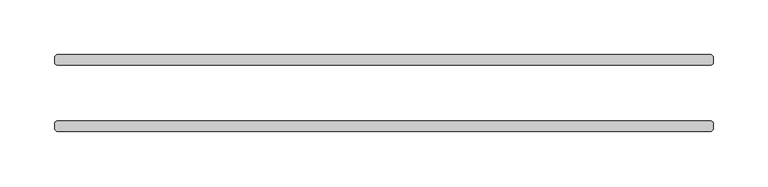
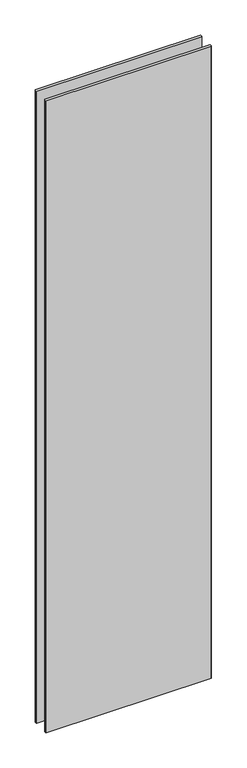
"""IFC4 building model written with IfcOpenShell, lengths in millimetres: plate geometry."""

from ifc_helpers import new_model, si_unit, origin, origin_with_axes, place, context, project, spatial, polyline, outline, extrude, source, transform, mapped, element, save


def plate_c9847d14(model_context):
    return source(origin(), model_context, "Body", "SweptSolid", [
        extrude(outline(polyline([(298.053125, 25.4), (-298.053125, 25.4), (-299.640625, 26.9875), (-299.640625, 33.3375), (-298.053125, 34.925), (298.053125, 34.925), (299.640625, 33.3375), (299.640625, 26.9875), (298.053125, 25.4)])), origin_with_axes(), (0.0, 0.0, 1.0), 2417.7625023),
        extrude(outline(polyline([(298.053125, -34.925), (-298.053125, -34.925), (-299.640625, -33.3375), (-299.640625, -26.9875), (-298.053125, -25.4), (298.053125, -25.4), (299.640625, -26.9875), (299.640625, -33.3375), (298.053125, -34.925)])), origin_with_axes(), (0.0, 0.0, 1.0), 2417.7625023),
    ])


if __name__ == "__main__":
    model = new_model("IFC4")
    model_context = context("Model", 3, world=origin())
    ifc_project = project(units=[si_unit("LENGTHUNIT", "METRE", prefix="MILLI")], contexts=[model_context])
    site = spatial("IfcSite", under=ifc_project)
    building = spatial("IfcBuilding", under=site)
    placement = place(None, origin())
    plate_shape = plate_c9847d14(model_context)
    element("IfcPlate", 1, at=placement, inside=building, context=model_context, shape_type="MappedRepresentation", body=[
        mapped(plate_shape, transform((0.0, 0.0, 0.0), x_axis=(1.0, 0.0, 0.0), y_axis=(0.0, 1.0, 0.0), z_axis=(0.0, 0.0, 1.0))),
    ])
    save(model, "model.ifc")
